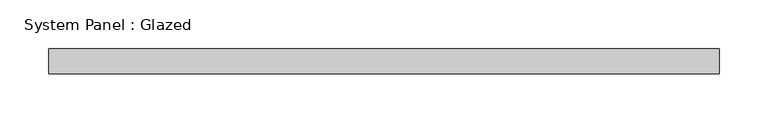
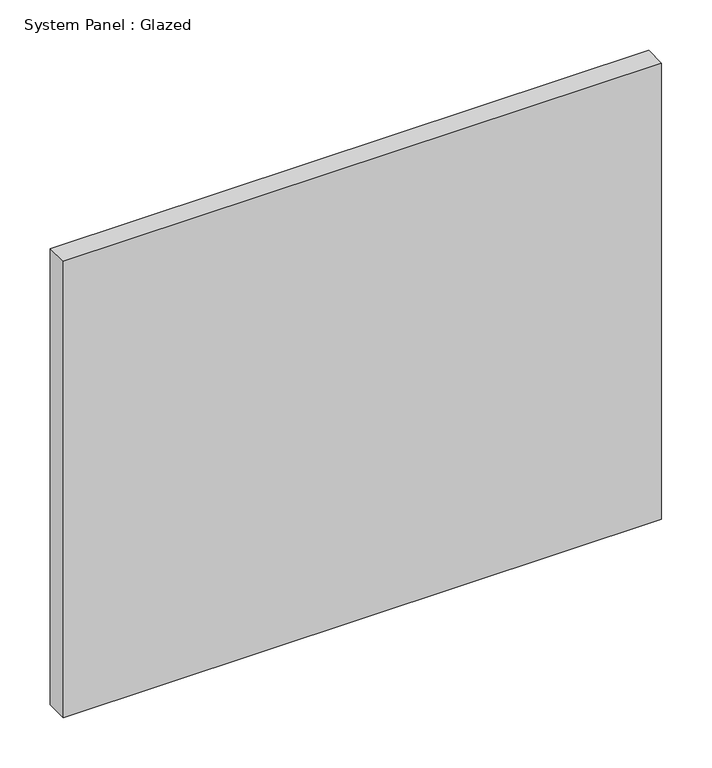
"""IFC4 building model written with IfcOpenShell, lengths in millimetres: plate geometry, System Panel : Glazed."""

from ifc_helpers import new_model, si_unit, origin, origin_with_axes, place, context, project, spatial, polyline, outline, extrude, source, transform, mapped, element, save


def system_panel_glazed_ef0edbc5(model_context):
    return source(origin(), model_context, "Body", "SweptSolid", [
        extrude(outline(polyline([(342.9, -44.45), (-342.9, -44.45), (-342.9, -19.05), (342.9, -19.05), (342.9, -44.45)])), origin_with_axes(), (0.0, 0.0, 1.0), 552.45),
    ])


if __name__ == "__main__":
    model = new_model("IFC4")
    model_context = context("Model", 3, world=origin())
    ifc_project = project(units=[si_unit("LENGTHUNIT", "METRE", prefix="MILLI")], contexts=[model_context])
    site = spatial("IfcSite", under=ifc_project)
    building = spatial("IfcBuilding", under=site)
    placement = place(None, origin())
    system_panel_glazed_shape = system_panel_glazed_ef0edbc5(model_context)
    element("IfcPlate", 1, ObjectType="System Panel : Glazed", at=placement, inside=building, context=model_context, shape_type="MappedRepresentation", body=[
        mapped(system_panel_glazed_shape, transform((0.0, 0.0, 0.0), x_axis=(1.0, 0.0, 0.0), y_axis=(0.0, 1.0, 0.0), z_axis=(0.0, 0.0, 1.0))),
    ])
    save(model, "model.ifc")
